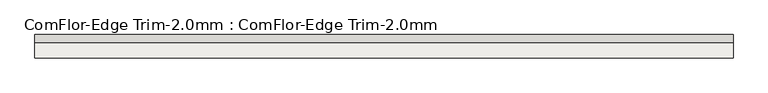
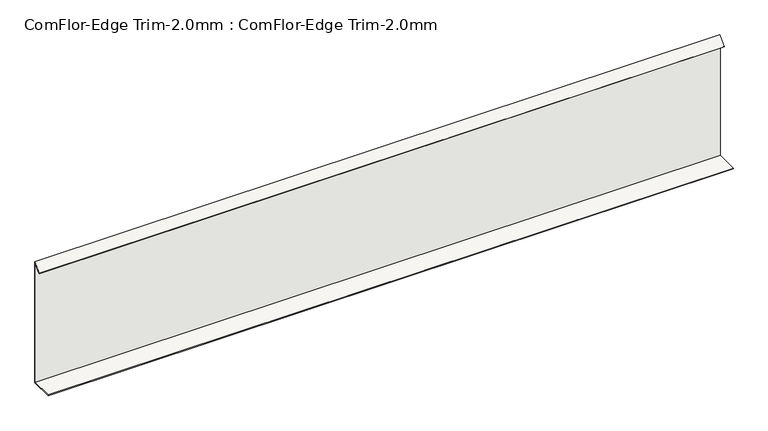
"""IFC4 building model written with IfcOpenShell, lengths in millimetres: slab geometry, ComFlor-Edge Trim-2.0mm : ComFlor-Edge Trim-2.0mm."""

from ifc_helpers import new_model, si_unit, frame, origin, place, context, project, spatial, polyline, outline, extrude, source, transform, mapped, element, save


def comflor_edge_trim_2_0mm_comflor_edge_trim_2_0mm_ecb2a93d(model_context):
    return source(origin(), model_context, "Body", "SweptSolid", [
        extrude(outline(polyline([(9984.6707854, 0.0), (9984.6707854, 284.1421356), (9970.5286498, 270.0), (9969.1144362, 271.4142136), (9986.6707854, 288.9705627), (9986.6707854, -2.0), (9934.6707854, -2.0), (9934.6707854, 0.0), (9984.6707854, 0.0)])), frame((-13434.6135737, 0.0, 0.0), z_axis=(1.0, 0.0, 0.0), x_axis=(0.0, 1.0, 0.0)), (0.0, 0.0, 1.0), 1560.0),
    ])


if __name__ == "__main__":
    model = new_model("IFC4")
    model_context = context("Model", 3, world=origin())
    ifc_project = project(units=[si_unit("LENGTHUNIT", "METRE", prefix="MILLI")], contexts=[model_context])
    site = spatial("IfcSite", under=ifc_project)
    building = spatial("IfcBuilding", under=site)
    placement = place(None, origin())
    comflor_edge_trim_2_0mm_comflor_edge_trim_2_0mm_shape = comflor_edge_trim_2_0mm_comflor_edge_trim_2_0mm_ecb2a93d(model_context)
    element("IfcSlab", 1, ObjectType="ComFlor-Edge Trim-2.0mm : ComFlor-Edge Trim-2.0mm", at=placement, inside=building, context=model_context, shape_type="MappedRepresentation", body=[
        mapped(comflor_edge_trim_2_0mm_comflor_edge_trim_2_0mm_shape, transform((0.0, 0.0, 0.0), x_axis=(1.0, 0.0, 0.0), y_axis=(0.0, 1.0, 0.0), z_axis=(0.0, 0.0, 1.0))),
    ])
    save(model, "model.ifc")
